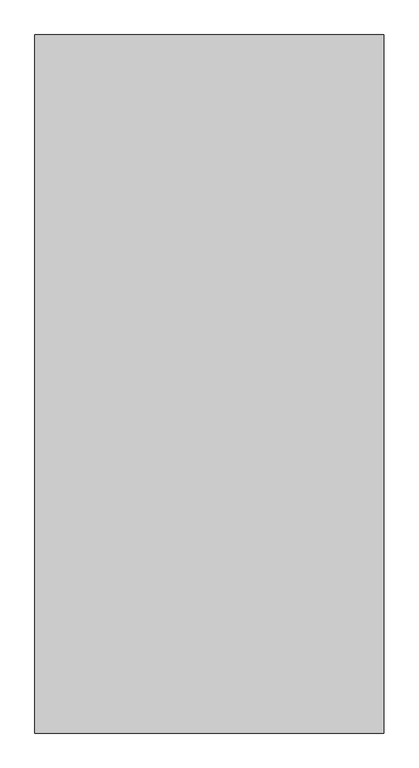
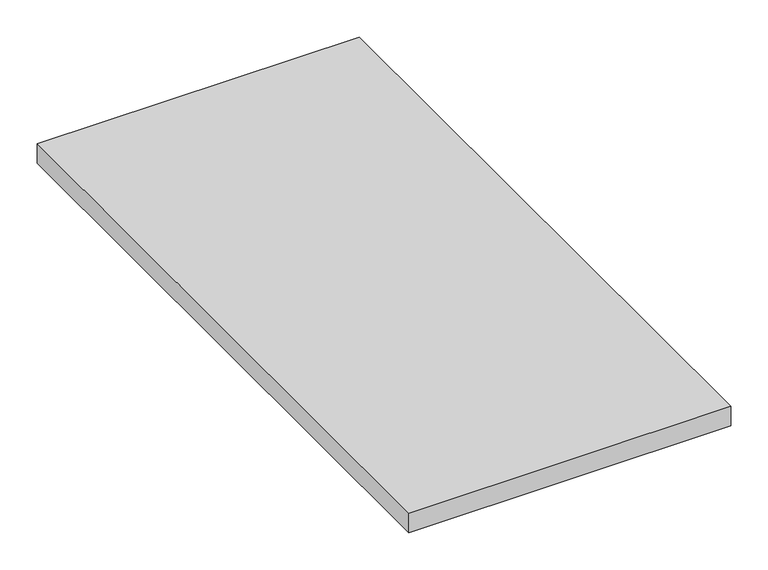
"""IFC4 building model written with IfcOpenShell, lengths in millimetres: proxy geometry."""

from ifc_helpers import new_model, si_unit, origin, origin_with_axes, place, context, project, spatial, polyline, outline, extrude, source, transform, mapped, element, save


def generic_models_1919a6bf(model_context):
    return source(origin(), model_context, "Body", "SweptSolid", [
        extrude(outline(polyline([(-16829.2833082, -3252.8374841), (-16829.2833082, -4252.8374841), (-17329.2833082, -4252.8374841), (-17329.2833082, -3252.8374841), (-16829.2833082, -3252.8374841)])), origin_with_axes(), (0.0, 0.0, 1.0), 32.0),
    ])


if __name__ == "__main__":
    model = new_model("IFC4")
    model_context = context("Model", 3, world=origin())
    ifc_project = project(units=[si_unit("LENGTHUNIT", "METRE", prefix="MILLI")], contexts=[model_context])
    site = spatial("IfcSite", under=ifc_project)
    building = spatial("IfcBuilding", under=site)
    placement = place(None, origin())
    generic_models_shape = generic_models_1919a6bf(model_context)
    element("IfcBuildingElementProxy", 1, Name="Generic Models", at=placement, inside=building, context=model_context, shape_type="MappedRepresentation", body=[
        mapped(generic_models_shape, transform((0.0, 0.0, 0.0), x_axis=(1.0, 0.0, 0.0), y_axis=(0.0, 1.0, 0.0), z_axis=(0.0, 0.0, 1.0))),
    ])
    save(model, "model.ifc")
